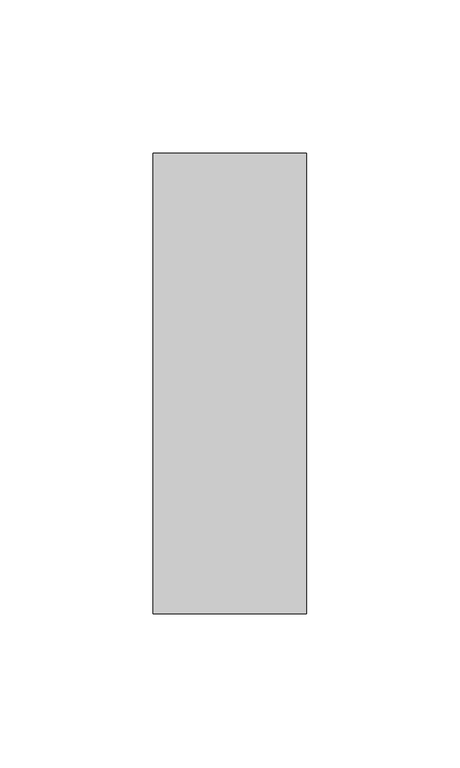
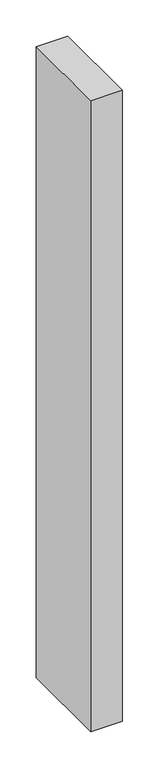
"""IFC4 building model written with IfcOpenShell, lengths in millimetres: member geometry."""

import ifcopenshell
import ifcopenshell.guid

model = None  # the IFC model being written
_history = None  # IfcOwnerHistory: only IFC2X3 demands one
_inside = {}  # id of a spatial element -> (the spatial element, [elements in it])
_under = {}  # id of a project, library or spatial element -> (it, [spatial elements below it])
_declared = {}  # id of a project -> (the project, [libraries it declares])
_typed = {}  # id of a type object -> (the type object, [elements of that type])
_made_of = {}  # id of a material, layer set ... -> (it, [elements and type objects made of it])


def new_model(schema):
    """Start an empty IFC model of exactly this schema.

    Asked for "IFC4X3", IfcOpenShell would pick the latest addendum, in which some entities
    have other attributes; the version numbers below select the first issue.
    IFC2X3 requires an IfcOwnerHistory on every rooted entity: one is made here for all.
    """
    global model, _history
    if schema == "IFC4X3":
        model = ifcopenshell.file(schema_version=(4, 3, 0, 0))
    else:
        model = ifcopenshell.file(schema=schema)
    _inside.clear()
    _under.clear()
    _declared.clear()
    _typed.clear()
    _made_of.clear()
    _history = None
    if model.schema == "IFC2X3":
        org = make("IfcOrganization", Name="unknown")
        user = make(
            "IfcPersonAndOrganization",
            ThePerson=make("IfcPerson", FamilyName="unknown"),
            TheOrganization=org,
        )
        app = make(
            "IfcApplication",
            ApplicationDeveloper=org,
            Version="unknown",
            ApplicationFullName="unknown",
            ApplicationIdentifier="unknown",
        )
        _history = make(
            "IfcOwnerHistory",
            OwningUser=user,
            OwningApplication=app,
            ChangeAction="ADDED",
            CreationDate=0,
        )
    return model


def make(cls, **values):
    """One entity of the class cls with the attributes given. An attribute that is None is left unset."""
    return model.create_entity(
        cls, **{name: value for name, value in values.items() if value is not None}
    )


def rooted(cls, **values):
    """An entity with a GlobalId (a new one), such as an element, a storey or a relation."""
    return make(cls, GlobalId=ifcopenshell.guid.new(), OwnerHistory=_history, **values)


def si_unit(unit_type, name, prefix=None):
    """IfcSIUnit, for example si_unit("LENGTHUNIT", "METRE", prefix="MILLI")."""
    return make("IfcSIUnit", UnitType=unit_type, Prefix=prefix, Name=name)


def assignment(units):
    """IfcUnitAssignment: the units of a project."""
    return None if units is None else make("IfcUnitAssignment", Units=units)


def point(xyz):
    """IfcCartesianPoint."""
    return None if xyz is None else make("IfcCartesianPoint", Coordinates=xyz)


def direction(xyz):
    """IfcDirection."""
    return None if xyz is None else make("IfcDirection", DirectionRatios=xyz)


def frame(location, z_axis=None, x_axis=None):
    """IfcAxis2Placement3D, a coordinate frame: its origin and axes. An axis left out is left unset."""
    return make(
        "IfcAxis2Placement3D",
        Location=point(location),
        Axis=direction(z_axis),
        RefDirection=direction(x_axis),
    )


def origin():
    """The frame at (0, 0, 0) with its axes left unset."""
    return frame((0.0, 0.0, 0.0))


def place(relative_to, where):
    """IfcLocalPlacement: puts the frame where relative to a parent placement (None: the world)."""
    return make(
        "IfcLocalPlacement", PlacementRelTo=relative_to, RelativePlacement=where
    )


def context(
    kind, dimensions, precision=None, world=None, true_north=None, identifier=None
):
    """IfcGeometricRepresentationContext, for example the 3D "Model" context."""
    return make(
        "IfcGeometricRepresentationContext",
        ContextIdentifier=identifier,
        ContextType=kind,
        CoordinateSpaceDimension=dimensions,
        Precision=precision,
        WorldCoordinateSystem=world,
        TrueNorth=true_north,
    )


def project(units=None, contexts=None):
    """IfcProject with its units and contexts."""
    return rooted(
        "IfcProject",
        Name="project",
        RepresentationContexts=contexts,
        UnitsInContext=assignment(units),
    )


def spatial(cls, under=None, at=None, **own):
    """A site, building, storey or space (cls), placed at a placement, below another one or the project."""
    s = rooted(cls, ObjectPlacement=at, **own)
    if under is not None:
        _under.setdefault(under.id(), (under, []))[1].append(s)
    return s


def polyline(points):
    """IfcPolyline through the points."""
    return make("IfcPolyline", Points=[point(p) for p in points])


def outline(outer, holes=None, kind="AREA"):
    """IfcArbitraryClosedProfileDef: a profile drawn as a closed curve; with holes, ...WithVoids."""
    if holes is None:
        return make("IfcArbitraryClosedProfileDef", ProfileType=kind, OuterCurve=outer)
    return make(
        "IfcArbitraryProfileDefWithVoids",
        ProfileType=kind,
        OuterCurve=outer,
        InnerCurves=holes,
    )


def extrude(swept, where, along, depth):
    """IfcExtrudedAreaSolid: the profile swept, set in the frame where, extruded along a direction by depth."""
    return make(
        "IfcExtrudedAreaSolid",
        SweptArea=swept,
        Position=where,
        ExtrudedDirection=direction(along),
        Depth=depth,
    )


def shape(context_of_items, identifier, shape_type, items):
    """IfcShapeRepresentation: the items that make up one representation, for example the "Body"."""
    return make(
        "IfcShapeRepresentation",
        ContextOfItems=context_of_items,
        RepresentationIdentifier=identifier,
        RepresentationType=shape_type,
        Items=items,
    )


def source(mapping_origin, context_of_items, identifier, shape_type, items):
    """IfcRepresentationMap: a shape defined once, which mapped items show again and again."""
    return make(
        "IfcRepresentationMap",
        MappingOrigin=mapping_origin,
        MappedRepresentation=shape(context_of_items, identifier, shape_type, items),
    )


def transform(
    local_origin,
    x_axis=None,
    y_axis=None,
    z_axis=None,
    scale=None,
    scale2=None,
    scale3=None,
    uniform=True,
):
    """IfcCartesianTransformationOperator3D, or its non-uniform kind. x_axis, y_axis, z_axis: its Axis1, 2, 3."""
    if uniform:
        return make(
            "IfcCartesianTransformationOperator3D",
            Axis1=direction(x_axis),
            Axis2=direction(y_axis),
            LocalOrigin=point(local_origin),
            Scale=scale,
            Axis3=direction(z_axis),
        )
    return make(
        "IfcCartesianTransformationOperator3DnonUniform",
        Axis1=direction(x_axis),
        Axis2=direction(y_axis),
        LocalOrigin=point(local_origin),
        Scale=scale,
        Axis3=direction(z_axis),
        Scale2=scale2,
        Scale3=scale3,
    )


def mapped(mapping_source, mapping_target):
    """IfcMappedItem: shows the shape of a source again, moved by a transform."""
    return make(
        "IfcMappedItem", MappingSource=mapping_source, MappingTarget=mapping_target
    )


def made_of(thing, what):
    """Note that an element or type object is made of a material, layer set ...; save() writes the relation."""
    if what is not None:
        _made_of.setdefault(what.id(), (what, []))[1].append(thing)
    return thing


def element(
    cls,
    number,
    at=None,
    inside=None,
    cuts=None,
    type_object=None,
    material=None,
    context=None,
    identifier="Body",
    shape_type=None,
    held_by="IfcProductDefinitionShape",
    body=None,
    shapes=None,
    **own,
):
    """One element of the class cls, such as IfcWall. Its Tag is "e" and its number.

    at: its placement. inside: the storey or other place that contains it. cuts: it is an
    opening in that element (IfcRelVoidsElement). A single representation is given by context,
    identifier, shape_type and body (its items); several are given by shapes. held_by: the class
    of the entity that holds the representations. save() writes the other relations.
    """
    e = rooted(cls, Tag="e%d" % number, ObjectPlacement=at, **own)
    if body is not None:
        shapes = [shape(context, identifier, shape_type, body)]
    if shapes is not None:
        e.Representation = make(held_by, Representations=shapes)
    if inside is not None:
        _inside.setdefault(inside.id(), (inside, []))[1].append(e)
    if cuts is not None:
        rooted(
            "IfcRelVoidsElement", RelatingBuildingElement=cuts, RelatedOpeningElement=e
        )
    if type_object is not None:
        _typed.setdefault(type_object.id(), (type_object, []))[1].append(e)
    return made_of(e, material)


def aggregate(whole, parts):
    """IfcRelAggregates: a whole, such as a stair, and the parts it consists of."""
    return rooted("IfcRelAggregates", RelatingObject=whole, RelatedObjects=parts)


def save(model, path):
    """Write the relations noted so far, then the file.

    IfcRelAggregates (storeys below a building ...), IfcRelContainedInSpatialStructure (elements
    in a storey), IfcRelDefinesByType, IfcRelAssociatesMaterial and IfcRelDeclares: one each for
    every whole, place, type object, material and project.
    """
    for whole, parts in _under.values():
        aggregate(whole, parts)
    for where, things in _inside.values():
        rooted(
            "IfcRelContainedInSpatialStructure",
            RelatedElements=things,
            RelatingStructure=where,
        )
    for kind, things in _typed.values():
        rooted("IfcRelDefinesByType", RelatedObjects=things, RelatingType=kind)
    for what, things in _made_of.values():
        rooted("IfcRelAssociatesMaterial", RelatedObjects=things, RelatingMaterial=what)
    for by, libraries in _declared.values():
        rooted("IfcRelDeclares", RelatingContext=by, RelatedDefinitions=libraries)
    model.write(path)


def member_d6a207ea(model_context):
    return source(origin(), model_context, "Body", "SweptSolid", [
        extrude(outline(polyline([(25.0, 75.0), (25.0, -75.0), (-25.0, -75.0), (-25.0, 75.0), (25.0, 75.0)])), frame((0.0, 0.0, -1060.0), z_axis=(0.0, 0.0, 1.0), x_axis=(1.0, 0.0, 0.0)), (0.0, 0.0, 1.0), 1060.0),
    ])


if __name__ == "__main__":
    model = new_model("IFC4")
    model_context = context("Model", 3, world=origin())
    ifc_project = project(units=[si_unit("LENGTHUNIT", "METRE", prefix="MILLI")], contexts=[model_context])
    site = spatial("IfcSite", under=ifc_project)
    building = spatial("IfcBuilding", under=site)
    placement = place(None, origin())
    member_shape = member_d6a207ea(model_context)
    element("IfcMember", 1, at=placement, inside=building, context=model_context, shape_type="MappedRepresentation", body=[
        mapped(member_shape, transform((0.0, 0.0, 0.0), x_axis=(1.0, 0.0, 0.0), y_axis=(0.0, 1.0, 0.0), z_axis=(0.0, 0.0, 1.0))),
    ])
    save(model, "model.ifc")
